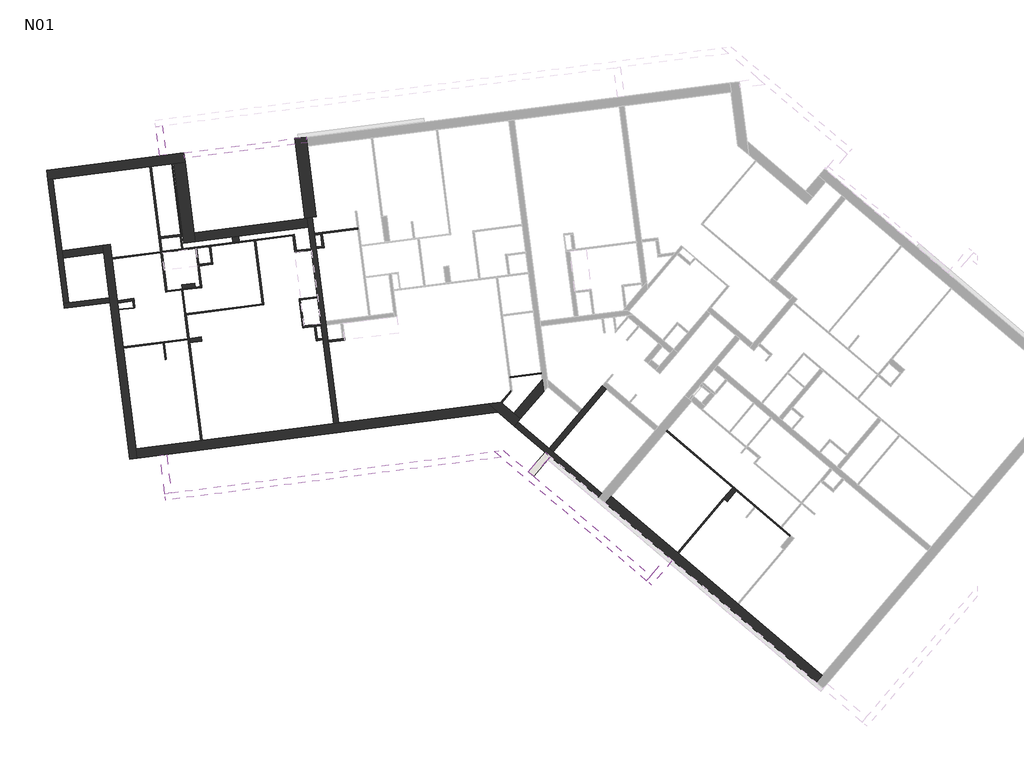
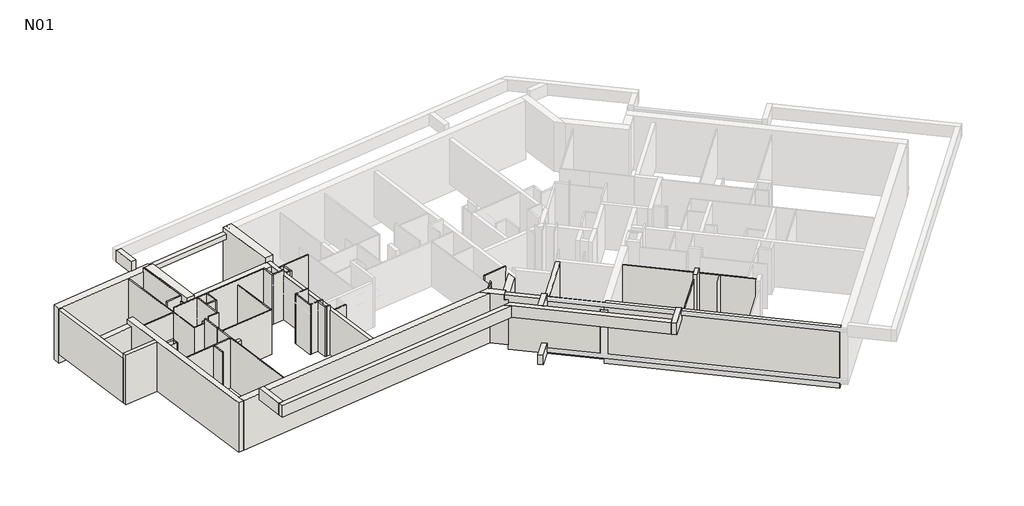
# One storey, part 1 of 3: 64 walls.
"""IFC4 building model written with IfcOpenShell, lengths in millimetres."""

from ifc_helpers import new_model, si_unit, frame, origin, place, context, project, spatial, polyline, outline, extrude, faceted_brep, element, save

model = new_model("IFC4")

# Units and contexts
model_context = context("Model", 3, world=origin())
ifc_project = project(units=[si_unit("LENGTHUNIT", "METRE", prefix="MILLI")], contexts=[model_context])

# Site, building, storey
site = spatial("IfcSite", under=ifc_project)
building = spatial("IfcBuilding", under=site)
storey = spatial("IfcBuildingStorey", under=building, Name="N01", Elevation=3070.0)

# Walls
placement = place(None, origin())
element("IfcWall", 1, at=placement, inside=storey, context=model_context, shape_type="Brep", body=[
    faceted_brep([(5758.2370181, 14194.8714572, 3070.0), (-70.9867131, 13449.8467438, 3070.0), (-269.3729541, 13424.4912832, 3070.0), (-7972.5911161, 12439.9540329, 3070.0), (-7972.5911161, 12439.9540329, 5840.0), (5758.2370181, 14194.8714572, 5840.0), (-7925.683514, 12072.939487, 3070.0), (6140.2224716, 13870.6827304, 3070.0), (6140.2224716, 13870.6827304, 5840.0), (-7925.683514, 12072.939487, 5840.0)], [[[0, 1, 2, 3, 4, 5]], [[6, 7, 8, 9]], [[3, 2, 1, 0, 7, 6]], [[5, 4, 9, 8]], [[0, 5, 8, 7]], [[4, 3, 6, 9]]]),
])
element("IfcWall", 2, at=placement, inside=storey, context=model_context, shape_type="Brep", body=[
    faceted_brep([(-6506.6373667, 23575.6553863, 2800.0), (-6108.054073, 20457.0592479, 2800.0), (-6108.054073, 20457.0592479, 5840.0), (-6506.6373667, 23575.6553863, 5840.0), (-6060.2683244, 23632.7051725, 2800.0), (-6060.2683244, 23632.7051725, 5620.0), (-6060.2683244, 23632.7051725, 5840.0), (-5661.6850307, 20514.1090341, 5840.0), (-5661.6850307, 20514.1090341, 5570.0), (-5661.6850307, 20514.1090341, 2800.0), (-5708.5926327, 20881.12358, 2800.0)], [[[0, 1, 2, 3]], [[4, 5, 6, 7, 8, 9, 10]], [[1, 0, 4, 10, 9]], [[3, 2, 7, 6]], [[0, 3, 6, 5, 4]], [[2, 1, 9, 8, 7]]]),
])
element("IfcWall", 3, at=placement, inside=storey, context=model_context, shape_type="Brep", body=[
    faceted_brep([(10215.1181588, 14897.9983639, 3070.0), (9438.6340179, 13983.0817672, 3070.0), (9309.2199944, 13830.5956677, 3070.0), (8144.4937831, 12458.2207726, 3070.0), (8144.4937831, 12458.2207726, 5570.0), (10215.1181588, 14897.9983639, 5570.0), (10367.6042582, 14768.5843405, 3070.0), (10367.6042582, 14768.5843405, 5570.0), (8296.9798826, 12328.8067492, 5570.0), (8296.9798826, 12328.8067492, 3070.0)], [[[0, 1, 2, 3, 4, 5]], [[6, 7, 8, 9]], [[3, 2, 1, 0, 6, 9]], [[5, 4, 8, 7]], [[0, 5, 7, 6]], [[3, 9, 8, 4]]]),
])
element("IfcWall", 4, at=placement, inside=storey, context=model_context, shape_type="Brep", body=[
    faceted_brep([(7021.6826483, 13607.8829857, 3070.0), (7925.3724793, 14672.6836444, 3070.0), (7925.3724793, 14672.6836444, 5570.0), (7021.6826483, 13607.8829857, 5570.0), (6754.8319743, 13834.3575268, 3070.0), (6754.8319743, 13834.3575268, 5570.0), (7865.2890942, 15142.7881766, 5570.0), (7865.2890942, 15142.7881766, 3070.0), (6888.2573113, 13721.1202563, 5570.0)], [[[0, 1, 2, 3]], [[4, 5, 6, 7]], [[1, 0, 4, 7]], [[3, 2, 6, 5, 8]], [[2, 1, 7, 6]], [[0, 3, 8, 5, 4]]]),
])
element("IfcWall", 5, at=placement, inside=storey, context=model_context, shape_type="Brep", body=[
    faceted_brep([(10336.4814628, 10597.8941851, 2800.0), (6924.6221307, 13493.5184111, 2800.0), (6924.6221307, 13493.5184111, 5570.0), (6791.1967937, 13606.7556817, 5570.0), (6791.1967937, 13606.7556817, 5840.0), (10336.4814628, 10597.8941851, 5840.0), (10336.4814628, 10597.8941851, 5570.0), (10203.0561258, 10711.1314557, 5570.0), (10203.0561258, 10711.1314557, 3070.0), (10336.4814628, 10597.8941851, 3070.0), (10194.126037, 10430.1594757, 2800.0), (10194.126037, 10430.1594757, 3070.0), (10060.7007, 10543.3967463, 3070.0), (10060.7007, 10543.3967463, 5570.0), (10194.126037, 10430.1594757, 5570.0), (10194.126037, 10430.1594757, 5840.0), (6648.8413679, 13439.0209723, 5840.0), (6648.8413679, 13439.0209723, 5570.0), (6782.2667049, 13325.7837017, 5570.0), (6782.2667049, 13325.7837017, 3070.0), (6782.2667049, 13325.7837017, 2800.0)], [[[0, 1, 2, 3, 4, 5, 6, 7, 8, 9]], [[10, 11, 12, 13, 14, 15, 16, 17, 18, 19, 20]], [[1, 0, 10, 20]], [[5, 4, 16, 15]], [[4, 3, 17, 16]], [[17, 3, 2, 18]], [[2, 1, 20, 19, 18]], [[0, 9, 11, 10]], [[8, 12, 11, 9]], [[6, 5, 15, 14]], [[6, 14, 13, 7]], [[8, 7, 13, 12]]]),
])
element("IfcWall", 6, at=placement, inside=storey, context=model_context, shape_type="Brep", body=[
    faceted_brep([(7021.6826483, 13607.8829857, 3070.0), (6754.8319743, 13834.3575268, 3070.0), (6293.3261913, 14226.0346728, 3070.0), (6255.2046664, 14258.3881787, 3070.0), (6255.2046664, 14258.3881787, 5840.0), (6293.3261913, 14226.0346728, 5840.0), (6888.2573113, 13721.1202563, 5840.0), (6888.2573113, 13721.1202563, 5570.0), (7021.6826483, 13607.8829857, 5570.0), (6782.2667049, 13325.7837017, 3070.0), (6782.2667049, 13325.7837017, 5570.0), (6648.8413679, 13439.0209723, 5570.0), (6648.8413679, 13439.0209723, 5840.0), (6140.2224716, 13870.6827304, 5840.0), (5758.2370181, 14194.8714572, 5840.0), (5758.2370181, 14194.8714572, 3070.0), (6140.2224716, 13870.6827304, 3070.0), (6791.1967937, 13606.7556817, 5840.0), (6791.1967937, 13606.7556817, 5570.0), (6924.6221307, 13493.5184111, 5570.0)], [[[0, 1, 2, 3, 4, 5, 6, 7, 8]], [[9, 10, 11, 12, 13, 14, 15, 16]], [[3, 2, 1, 0, 9, 16, 15]], [[6, 5, 4, 14, 13, 12, 17]], [[7, 6, 17, 12, 11, 18]], [[0, 8, 19, 10, 9]], [[4, 3, 15, 14]], [[7, 18, 11, 10, 19, 8]]]),
])
element("IfcWall", 7, at=placement, inside=storey, context=model_context, shape_type="Brep", body=[
    faceted_brep([(-11422.5288425, 22947.3623567, 3070.0), (-10805.1233781, 18116.6573882, 3070.0), (-10805.1233781, 18116.6573882, 5570.0), (-11422.5288425, 22947.3623567, 5570.0), (-11224.1426015, 22972.7178173, 3070.0), (-11224.1426015, 22972.7178173, 5570.0), (-10866.6306077, 20175.4718191, 5570.0), (-10829.8651899, 19887.8117696, 5570.0), (-10606.7371371, 18142.0128488, 5570.0), (-10606.7371371, 18142.0128488, 3070.0), (-10829.8651899, 19887.8117696, 3070.0), (-10866.6306077, 20175.4718191, 3070.0)], [[[0, 1, 2, 3]], [[4, 5, 6, 7, 8, 9, 10, 11]], [[1, 0, 4, 11, 10, 9]], [[3, 2, 8, 7, 6, 5]], [[2, 1, 9, 8]], [[0, 3, 5, 4]]]),
])
element("IfcWall", 8, at=placement, inside=storey, context=model_context, shape_type="Brep", body=[
    faceted_brep([(-9279.5406797, 20378.3155035, 3070.0), (-9242.7752619, 20090.655454, 3070.0), (-9019.647209, 18344.8565332, 3070.0), (-8994.2917485, 18146.4702922, 3070.0), (-8213.3435635, 12036.1740692, 3070.0), (-8213.3435635, 12036.1740692, 5840.0), (-8260.2511655, 12403.1886151, 5840.0), (-8994.2917485, 18146.4702922, 5840.0), (-9019.647209, 18344.8565332, 5840.0), (-9279.5406797, 20378.3155035, 5840.0), (-9279.5406797, 20378.3155035, 5570.0), (-8991.8806302, 20415.0809213, 3070.0), (-8991.8806302, 20415.0809213, 5840.0), (-7972.5911161, 12439.9540329, 5840.0), (-7925.683514, 12072.939487, 5840.0), (-7925.683514, 12072.939487, 3070.0), (-7972.5911161, 12439.9540329, 3070.0)], [[[0, 1, 2, 3, 4, 5, 6, 7, 8, 9, 10]], [[11, 12, 13, 14, 15, 16]], [[4, 3, 2, 1, 0, 11, 16, 15]], [[9, 8, 7, 6, 5, 14, 13, 12]], [[0, 10, 9, 12, 11]], [[5, 4, 15, 14]]]),
])
element("IfcWall", 9, at=placement, inside=storey, context=model_context, shape_type="SweptSolid", body=[
    extrude(outline(polyline([(-9242.7752619, 20090.655454), (-10829.8651899, 19887.8117696), (-10866.6306077, 20175.4718191), (-9279.5406797, 20378.3155035), (-9242.7752619, 20090.655454)])), frame((0.0, 0.0, 3070.0), z_axis=(0.0, 0.0, 1.0), x_axis=(1.0, 0.0, 0.0)), (0.0, 0.0, 1.0), 2500.0),
])
element("IfcWall", 10, at=placement, inside=storey, context=model_context, shape_type="Brep", body=[
    faceted_brep([(-10779.7679175, 17918.2711472, 3070.0), (-8994.2917485, 18146.4702922, 3070.0), (-8994.2917485, 18146.4702922, 5840.0), (-10779.7679175, 17918.2711472, 5840.0), (-10805.1233781, 18116.6573882, 3070.0), (-10805.1233781, 18116.6573882, 5570.0), (-10805.1233781, 18116.6573882, 5840.0), (-9019.647209, 18344.8565332, 5840.0), (-9019.647209, 18344.8565332, 3070.0), (-10606.7371371, 18142.0128488, 3070.0)], [[[0, 1, 2, 3]], [[4, 5, 6, 7, 8, 9]], [[1, 0, 4, 9, 8]], [[3, 2, 7, 6]], [[0, 3, 6, 5, 4]], [[2, 1, 8, 7]]]),
])
element("IfcWall", 11, at=placement, inside=storey, context=model_context, shape_type="Brep", body=[
    faceted_brep([(5996.4358323, 12340.1039215, 5510.0), (-6597.3795676, 10730.5064617, 5510.0), (-6855.2816809, 10697.544363, 5510.0), (-6855.2816809, 10697.544363, 6150.0), (-6597.3795676, 10730.5064617, 6150.0), (5996.4358323, 12340.1039215, 6150.0), (6264.8580429, 12112.2956269, 5510.0), (6264.8580429, 12112.2956269, 6150.0), (-6822.3195822, 10439.6422497, 6150.0), (-6822.3195822, 10439.6422497, 5510.0)], [[[0, 1, 2, 3, 4, 5]], [[6, 7, 8, 9]], [[2, 1, 0, 6, 9]], [[5, 4, 3, 8, 7]], [[3, 2, 9, 8]], [[0, 5, 7, 6]]]),
])
element("IfcWall", 12, at=placement, inside=storey, context=model_context, shape_type="SweptSolid", body=[
    extrude(outline(polyline([(-6787.5455217, 12218.4032693), (-6597.3795676, 10730.5064617), (-6855.2816809, 10697.544363), (-7045.447635, 12185.4411706), (-6787.5455217, 12218.4032693)])), frame((0.0, 0.0, 5510.0), z_axis=(0.0, 0.0, 1.0), x_axis=(1.0, 0.0, 0.0)), (0.0, 0.0, 1.0), 640.0),
])
element("IfcWall", 13, at=placement, inside=storey, context=model_context, shape_type="Brep", body=[
    faceted_brep([(-11422.5288425, 22947.3623567, 2580.0), (-6060.2683244, 23632.7051725, 2580.0), (-6060.2683244, 23632.7051725, 2800.0), (-6060.2683244, 23632.7051725, 5620.0), (-11422.5288425, 22947.3623567, 5620.0), (-11422.5288425, 22947.3623567, 5570.0), (-11422.5288425, 22947.3623567, 3070.0), (-11469.4364445, 23314.3769026, 2580.0), (-11469.4364445, 23314.3769026, 5620.0), (-6107.1759264, 23999.7197184, 5620.0), (-6107.1759264, 23999.7197184, 5570.0), (-6107.1759264, 23999.7197184, 5270.0), (-6107.1759264, 23999.7197184, 2580.0)], [[[0, 1, 2, 3, 4, 5, 6]], [[7, 8, 9, 10, 11, 12]], [[1, 0, 7, 12]], [[4, 3, 9, 8]], [[0, 6, 5, 4, 8, 7]], [[1, 12, 11, 10, 9, 3, 2]]]),
])
element("IfcWall", 14, at=placement, inside=storey, context=model_context, shape_type="Brep", body=[
    faceted_brep([(18798.7778311, 3612.7340644, 2580.0), (10433.5419804, 10712.2587597, 2580.0), (10433.5419804, 10712.2587597, 3070.0), (10566.9673175, 10599.0214892, 3070.0), (10566.9673175, 10599.0214892, 5570.0), (10433.5419804, 10712.2587597, 5570.0), (10433.5419804, 10712.2587597, 5840.0), (10566.9673175, 10599.0214892, 5840.0), (18798.7778311, 3612.7340644, 5840.0), (10194.126037, 10430.1594757, 2580.0), (18559.3618877, 3330.6347804, 2580.0), (18559.3618877, 3330.6347804, 2800.0), (18559.3618877, 3330.6347804, 5840.0), (10327.551374, 10316.9222052, 5840.0), (10194.126037, 10430.1594757, 5840.0), (10194.126037, 10430.1594757, 5570.0), (10327.551374, 10316.9222052, 5570.0), (10327.551374, 10316.9222052, 3070.0), (10194.126037, 10430.1594757, 3070.0), (10194.126037, 10430.1594757, 2800.0), (10336.4814628, 10597.8941851, 5840.0), (10336.4814628, 10597.8941851, 3070.0), (10336.4814628, 10597.8941851, 5570.0)], [[[0, 1, 2, 3, 4, 5, 6, 7, 8]], [[9, 10, 11, 12, 13, 14, 15, 16, 17, 18, 19]], [[1, 0, 10, 9]], [[8, 7, 6, 20, 14, 13, 12]], [[1, 9, 19, 18, 21, 2]], [[3, 2, 21, 18, 17]], [[14, 20, 6, 5, 22, 15]], [[15, 22, 5, 4, 16]], [[4, 3, 17, 16]], [[10, 0, 8, 12, 11]]]),
])
element("IfcWall", 15, at=placement, inside=storey, context=model_context, shape_type="SweptSolid", body=[
    extrude(outline(polyline([(-7059.4298832, 23878.0135078), (-7203.9560084, 25008.8150815), (-6946.0538951, 25041.7771802), (-6801.5277699, 23910.9756065), (-7059.4298832, 23878.0135078)])), frame((0.0, 0.0, 5510.0), z_axis=(0.0, 0.0, 1.0), x_axis=(1.0, 0.0, 0.0)), (0.0, 0.0, 1.0), 640.0),
])
element("IfcWall", 16, at=placement, inside=storey, context=model_context, shape_type="Brep", body=[
    faceted_brep([(-6079.2849198, 23781.4948533, 5270.0), (-1764.3841779, 24332.9761203, 5270.0), (-1318.0151357, 24390.0259065, 5270.0), (-1318.0151357, 24390.0259065, 5570.0), (-1764.3841779, 24332.9761203, 5570.0), (-6079.2849198, 23781.4948533, 5570.0), (-6107.1759264, 23999.7197184, 5270.0), (-6107.1759264, 23999.7197184, 5570.0), (-1792.2751846, 24551.2009854, 5570.0), (-1345.9061423, 24608.2507716, 5570.0), (-1345.9061423, 24608.2507716, 5270.0), (-1792.2751846, 24551.2009854, 5270.0)], [[[0, 1, 2, 3, 4, 5]], [[6, 7, 8, 9, 10, 11]], [[2, 1, 0, 6, 11, 10]], [[5, 4, 3, 9, 8, 7]], [[0, 5, 7, 6]], [[3, 2, 10, 9]]]),
])
element("IfcWall", 17, at=placement, inside=storey, context=model_context, shape_type="Brep", body=[
    faceted_brep([(-70.9867131, 13449.8467438, 3070.0), (-473.9945737, 16603.0615871, 3070.0), (-482.8689849, 16672.4967715, 3070.0), (-557.6675935, 17257.7361824, 3070.0), (-577.951962, 17416.4451752, 3070.0), (-940.7002122, 20254.6607005, 3070.0), (-949.5746234, 20324.0958849, 3070.0), (-1007.8709805, 20780.2183489, 3070.0), (-1016.7453916, 20849.6535333, 3070.0), (-1096.1125293, 21470.6380378, 3070.0), (-1096.1125293, 21470.6380378, 5570.0), (-1016.7453916, 20849.6535333, 5570.0), (-1007.8709805, 20780.2183489, 5570.0), (-949.5746234, 20324.0958849, 5570.0), (-940.7002122, 20254.6607005, 5570.0), (-577.951962, 17416.4451752, 5570.0), (-557.6675935, 17257.7361824, 5570.0), (-482.8689849, 16672.4967715, 5570.0), (-473.9945737, 16603.0615871, 5570.0), (-70.9867131, 13449.8467438, 5570.0), (-269.3729541, 13424.4912832, 3070.0), (-269.3729541, 13424.4912832, 5570.0), (-1247.5911683, 21078.2680314, 5570.0), (-1294.4987703, 21445.2825772, 5570.0), (-1294.4987703, 21445.2825772, 3070.0), (-1291.9632243, 21425.4439531, 3070.0), (-1247.5911683, 21078.2680314, 3070.0), (-1142.366007, 20254.9651312, 3070.0), (-1133.4915958, 20185.5299468, 3070.0), (-902.7569048, 18380.2151537, 3070.0), (-896.4180397, 18330.6185934, 3070.0), (-767.4637918, 17321.6545303, 3070.0), (-758.5893806, 17252.219346, 3070.0), (-695.9892287, 16762.4231222, 3070.0), (-687.1148175, 16692.9879378, 3070.0)], [[[0, 1, 2, 3, 4, 5, 6, 7, 8, 9, 10, 11, 12, 13, 14, 15, 16, 17, 18, 19]], [[20, 21, 22, 23, 24, 25, 26, 27, 28, 29, 30, 31, 32, 33, 34]], [[9, 8, 7, 6, 5, 4, 3, 2, 1, 0, 20, 34, 33, 32, 31, 30, 29, 28, 27, 26, 25, 24]], [[19, 18, 17, 16, 15, 14, 13, 12, 11, 10, 23, 22, 21]], [[0, 19, 21, 20]], [[10, 9, 24, 23]]]),
])
element("IfcWall", 18, at=placement, inside=storey, context=model_context, shape_type="SweptSolid", body=[
    extrude(outline(polyline([(7332.195325, 11547.4676695), (7979.2654424, 12309.8981668), (8177.4973717, 12141.6599362), (7530.4272543, 11379.229439), (7332.195325, 11547.4676695)])), frame((0.0, 0.0, 2850.0), z_axis=(0.0, 0.0, 1.0), x_axis=(1.0, 0.0, 0.0)), (0.0, 0.0, 1.0), 530.0),
])
element("IfcWall", 19, at=placement, inside=storey, context=model_context, shape_type="Brep", body=[
    faceted_brep([(5996.4358323, 12340.1039215, 5510.0), (6264.8580429, 12112.2956269, 5510.0), (11938.856953, 7296.8073248, 5510.0), (11938.856953, 7296.8073248, 6150.0), (6264.8580429, 12112.2956269, 6150.0), (5996.4358323, 12340.1039215, 6150.0), (6345.6563419, 12384.7372933, 5510.0), (6345.6563419, 12384.7372933, 6150.0), (7332.195325, 11547.4676695, 6150.0), (7530.4272543, 11379.229439, 6150.0), (12107.0951835, 7495.039254, 6150.0), (12107.0951835, 7495.039254, 5510.0), (7530.4272543, 11379.229439, 5510.0), (7332.195325, 11547.4676695, 5510.0)], [[[0, 1, 2, 3, 4, 5]], [[6, 7, 8, 9, 10, 11, 12, 13]], [[2, 1, 0, 6, 13, 12, 11]], [[5, 4, 3, 10, 9, 8, 7]], [[3, 2, 11, 10]], [[0, 5, 7, 6]]]),
])
element("IfcWall", 20, at=placement, inside=storey, context=model_context, shape_type="Brep", body=[
    faceted_brep([(12754.1653009, 8257.4697513, 6150.0), (12754.1653009, 8257.4697513, 5510.0), (12107.0951835, 7495.039254, 5510.0), (11938.856953, 7296.8073248, 5510.0), (11938.856953, 7296.8073248, 6150.0), (12107.0951835, 7495.039254, 6150.0), (12952.3972302, 8089.2315208, 5510.0), (12952.3972302, 8089.2315208, 6150.0), (12137.0888823, 7128.5690942, 6150.0), (12137.0888823, 7128.5690942, 5510.0)], [[[0, 1, 2, 3, 4, 5]], [[6, 7, 8, 9]], [[3, 2, 1, 6, 9]], [[0, 5, 4, 8, 7]], [[4, 3, 9, 8]], [[0, 7, 6, 1]]]),
])
element("IfcWall", 21, at=placement, inside=storey, context=model_context, shape_type="SweptSolid", body=[
    extrude(outline(polyline([(7332.195325, 11547.4676695), (7979.2654424, 12309.8981668), (8177.4973717, 12141.6599362), (7530.4272543, 11379.229439), (7332.195325, 11547.4676695)])), frame((0.0, 0.0, 5510.0), z_axis=(0.0, 0.0, 1.0), x_axis=(1.0, 0.0, 0.0)), (0.0, 0.0, 1.0), 640.0),
])
element("IfcWall", 22, at=placement, inside=storey, context=model_context, shape_type="Brep", body=[
    faceted_brep([(-947.3228486, 21489.6546332, 2580.0), (-1298.9985403, 24241.2362258, 2580.0), (-1345.9061423, 24608.2507716, 2580.0), (-1345.9061423, 24608.2507716, 5270.0), (-1318.0151357, 24390.0259065, 5270.0), (-1318.0151357, 24390.0259065, 5570.0), (-1345.9061423, 24608.2507716, 5570.0), (-1345.9061423, 24608.2507716, 5840.0), (-1298.9985403, 24241.2362258, 5840.0), (-947.3228486, 21489.6546332, 5840.0), (-1393.6918909, 21432.6048469, 2580.0), (-1393.6918909, 21432.6048469, 5840.0), (-1792.2751846, 24551.2009854, 5840.0), (-1792.2751846, 24551.2009854, 5570.0), (-1764.3841779, 24332.9761203, 5570.0), (-1764.3841779, 24332.9761203, 5270.0), (-1792.2751846, 24551.2009854, 5270.0), (-1792.2751846, 24551.2009854, 2580.0)], [[[0, 1, 2, 3, 4, 5, 6, 7, 8, 9]], [[10, 11, 12, 13, 14, 15, 16, 17]], [[2, 1, 0, 10, 17]], [[9, 8, 7, 12, 11]], [[15, 4, 3, 16]], [[13, 6, 5, 14]], [[3, 2, 17, 16]], [[5, 4, 15, 14]], [[7, 6, 13, 12]], [[0, 9, 11, 10]]]),
])
element("IfcWall", 23, at=placement, inside=storey, context=model_context, shape_type="Brep", body=[
    faceted_brep([(-5661.6850307, 20514.1090341, 2800.0), (-1247.5911683, 21078.2680314, 2800.0), (-1247.5911683, 21078.2680314, 5570.0), (-3975.4019822, 20729.6304488, 5570.0), (-4223.3847834, 20697.9361231, 5570.0), (-5661.6850307, 20514.1090341, 5570.0), (-5661.6850307, 20514.1090341, 3070.0), (-5708.5926327, 20881.12358, 2800.0), (-5708.5926327, 20881.12358, 5570.0), (-1294.4987703, 21445.2825772, 5570.0), (-1294.4987703, 21445.2825772, 3070.0), (-1294.4987703, 21445.2825772, 2800.0), (-5706.0570867, 20861.2849559, 2800.0)], [[[0, 1, 2, 3, 4, 5, 6]], [[7, 8, 9, 10, 11]], [[1, 0, 12, 7, 11]], [[5, 4, 3, 2, 9, 8]], [[2, 1, 11, 10, 9]], [[0, 6, 5, 8, 7, 12]]]),
])
element("IfcWall", 24, ObjectType="CLO 10", at=placement, inside=storey, context=model_context, shape_type="Brep", body=[
    faceted_brep([(-8699.616304, 18128.3458433, 3070.0), (-8104.457581, 18204.4122249, 3070.0), (-8054.8610207, 18210.7510901, 3070.0), (-8054.8610207, 18210.7510901, 5570.0), (-8104.457581, 18204.4122249, 5570.0), (-8699.616304, 18128.3458433, 5570.0), (-8712.2940343, 18227.5389638, 3070.0), (-8712.2940343, 18227.5389638, 5570.0), (-8067.538751, 18309.9442106, 5570.0), (-8067.538751, 18309.9442106, 3070.0)], [[[0, 1, 2, 3, 4, 5]], [[6, 7, 8, 9]], [[2, 1, 0, 6, 9]], [[5, 4, 3, 8, 7]], [[0, 5, 7, 6]], [[3, 2, 9, 8]]]),
])
element("IfcWall", 25, ObjectType="CLO 2", at=placement, inside=storey, context=model_context, shape_type="SweptSolid", body=[
    extrude(outline(polyline([(-6240.1481823, 20813.1862285), (-6591.823874, 23564.7678211), (-6571.9852499, 23567.3033672), (-6220.3095582, 20815.7217746), (-6240.1481823, 20813.1862285)])), frame((0.0, 0.0, 3070.0), z_axis=(0.0, 0.0, 1.0), x_axis=(1.0, 0.0, 0.0)), (0.0, 0.0, 1.0), 2770.0),
])
element("IfcWall", 26, ObjectType="CLO 2", at=placement, inside=storey, context=model_context, shape_type="SweptSolid", body=[
    extrude(outline(polyline([(-8070.2277092, 17936.5907996), (-8665.3864322, 17860.5244179), (-8667.9219783, 17880.363042), (-8072.7632553, 17956.4294237), (-8070.2277092, 17936.5907996)])), frame((0.0, 0.0, 3070.0), z_axis=(0.0, 0.0, 1.0), x_axis=(1.0, 0.0, 0.0)), (0.0, 0.0, 1.0), 2500.0),
])
element("IfcWall", 27, ObjectType="CLO 5", at=placement, inside=storey, context=model_context, shape_type="Brep", body=[
    faceted_brep([(-7434.9653983, 23457.0071138, 3070.0), (-7004.6877789, 20090.4281741, 3070.0), (-7004.6877789, 20090.4281741, 5570.0), (-7434.9653983, 23457.0071138, 5570.0), (-7385.368838, 23463.3459789, 3070.0), (-7385.368838, 23463.3459789, 5570.0), (-6955.0912187, 20096.7670392, 5570.0), (-6955.0912187, 20096.7670392, 3070.0), (-6961.4300838, 20146.3635995, 3070.0), (-7024.8187352, 20642.329202, 3070.0), (-7033.6931464, 20711.7643863, 3070.0)], [[[0, 1, 2, 3]], [[4, 5, 6, 7, 8, 9, 10]], [[1, 0, 4, 10, 9, 8, 7]], [[3, 2, 6, 5]], [[0, 3, 5, 4]], [[2, 1, 7, 6]]]),
])
element("IfcWall", 28, ObjectType="CLO 5", at=placement, inside=storey, context=model_context, shape_type="SweptSolid", body=[
    extrude(outline(polyline([(-7004.6877789, 20090.4281741), (-8919.1150046, 19845.7479798), (-8925.4538698, 19895.34454), (-7011.026644, 20140.0247343), (-7004.6877789, 20090.4281741)])), frame((0.0, 0.0, 3070.0), z_axis=(0.0, 0.0, 1.0), x_axis=(1.0, 0.0, 0.0)), (0.0, 0.0, 1.0), 2500.0),
])
element("IfcWall", 29, ObjectType="CLO 5", at=placement, inside=storey, context=model_context, shape_type="Brep", body=[
    faceted_brep([(-8104.457581, 18204.4122249, 3070.0), (-8072.7632553, 17956.4294237, 3070.0), (-8070.2277092, 17936.5907996, 3070.0), (-8070.2277092, 17936.5907996, 5570.0), (-8072.7632553, 17956.4294237, 5570.0), (-8104.457581, 18204.4122249, 5570.0), (-8054.8610207, 18210.7510901, 3070.0), (-8054.8610207, 18210.7510901, 5570.0), (-8020.631149, 17942.9296647, 5570.0), (-8020.631149, 17942.9296647, 3070.0)], [[[0, 1, 2, 3, 4, 5]], [[6, 7, 8, 9]], [[2, 1, 0, 6, 9]], [[5, 4, 3, 8, 7]], [[0, 5, 7, 6]], [[3, 2, 9, 8]]]),
])
element("IfcWall", 30, ObjectType="CLO 5", at=placement, inside=storey, context=model_context, shape_type="Brep", body=[
    faceted_brep([(-7004.6877789, 20090.4281741, 3070.0), (-6808.7742028, 18557.5608119, 3070.0), (-6808.7742028, 18557.5608119, 5570.0), (-7004.6877789, 20090.4281741, 5570.0), (-6955.0912187, 20096.7670392, 3070.0), (-6955.0912187, 20096.7670392, 5570.0), (-6765.5165077, 18613.4962373, 5570.0), (-6759.1776425, 18563.899677, 5570.0), (-6759.1776425, 18563.899677, 3070.0), (-6765.5165077, 18613.4962373, 3070.0)], [[[0, 1, 2, 3]], [[4, 5, 6, 7, 8, 9]], [[1, 0, 4, 9, 8]], [[3, 2, 7, 6, 5]], [[2, 1, 8, 7]], [[0, 3, 5, 4]]]),
])
element("IfcWall", 31, ObjectType="CLO 5", at=placement, inside=storey, context=model_context, shape_type="SweptSolid", body=[
    extrude(outline(polyline([(-6765.5165077, 18613.4962373), (-5961.1798766, 18716.2973469), (-5954.8410115, 18666.7007867), (-6759.1776425, 18563.899677), (-6765.5165077, 18613.4962373)])), frame((0.0, 0.0, 3070.0), z_axis=(0.0, 0.0, 1.0), x_axis=(1.0, 0.0, 0.0)), (0.0, 0.0, 1.0), 2500.0),
])
element("IfcWall", 32, ObjectType="CLO 5", at=placement, inside=storey, context=model_context, shape_type="Brep", body=[
    faceted_brep([(-5954.8410115, 18666.7007867, 3070.0), (-5410.1513124, 18736.3167949, 3070.0), (-5410.1513124, 18736.3167949, 5840.0), (-5954.8410115, 18666.7007867, 5840.0), (-5954.8410115, 18666.7007867, 5570.0), (-5961.1798766, 18716.2973469, 3070.0), (-5961.1798766, 18716.2973469, 5570.0), (-5961.1798766, 18716.2973469, 5840.0), (-5466.0867378, 18779.57449, 5840.0), (-5416.4901775, 18785.9133551, 5840.0), (-5416.4901775, 18785.9133551, 3070.0), (-5466.0867378, 18779.57449, 3070.0)], [[[0, 1, 2, 3, 4]], [[5, 6, 7, 8, 9, 10, 11]], [[1, 0, 5, 11, 10]], [[3, 2, 9, 8, 7]], [[0, 4, 3, 7, 6, 5]], [[2, 1, 10, 9]]]),
])
element("IfcWall", 33, ObjectType="CLO 5", at=placement, inside=storey, context=model_context, shape_type="Brep", body=[
    faceted_brep([(-5655.6614488, 20262.8452919, 3070.0), (-5466.0867378, 18779.57449, 3070.0), (-5466.0867378, 18779.57449, 5840.0), (-5655.6614488, 20262.8452919, 5840.0), (-5606.0648885, 20269.1841571, 3070.0), (-5606.0648885, 20269.1841571, 5840.0), (-5526.1951878, 19644.2674979, 5840.0), (-5517.3207766, 19574.8323136, 5840.0), (-5416.4901775, 18785.9133551, 5840.0), (-5416.4901775, 18785.9133551, 3070.0), (-5517.3207766, 19574.8323136, 3070.0), (-5526.1951878, 19644.2674979, 3070.0)], [[[0, 1, 2, 3]], [[4, 5, 6, 7, 8, 9, 10, 11]], [[1, 0, 4, 11, 10, 9]], [[3, 2, 8, 7, 6, 5]], [[0, 3, 5, 4]], [[2, 1, 9, 8]]]),
])
element("IfcWall", 34, ObjectType="CLO 5", at=placement, inside=storey, context=model_context, shape_type="Brep", body=[
    faceted_brep([(-2995.9276812, 18107.3102301, 3070.0), (-3045.5242415, 18100.971365, 3070.0), (-6079.9612652, 17713.1443268, 3070.0), (-6079.9612652, 17713.1443268, 5170.0), (-6079.9612652, 17713.1443268, 5570.0), (-6030.3647049, 17719.483192, 5570.0), (-3045.5242415, 18100.971365, 5570.0), (-2995.9276812, 18107.3102301, 5570.0), (-2989.5888161, 18057.7136698, 3070.0), (-2989.5888161, 18057.7136698, 5570.0), (-6024.0258398, 17669.8866317, 5570.0), (-6073.6224, 17663.5477666, 5570.0), (-6073.6224, 17663.5477666, 3070.0), (-6024.0258398, 17669.8866317, 3070.0), (-6076.7918326, 17688.3460467, 5570.0)], [[[0, 1, 2, 3, 4, 5, 6, 7]], [[8, 9, 10, 11, 12, 13]], [[2, 1, 0, 8, 13, 12]], [[7, 6, 5, 4, 14, 11, 10, 9]], [[0, 7, 9, 8]], [[4, 3, 2, 12, 11, 14]]]),
])
element("IfcWall", 35, ObjectType="CLO 5", at=placement, inside=storey, context=model_context, shape_type="Brep", body=[
    faceted_brep([(-8474.7179151, 16368.6954557, 3070.0), (-6921.4732243, 16567.213429, 3070.0), (-6871.876664, 16573.5522941, 3070.0), (-5949.3806433, 16691.4551857, 3070.0), (-5949.3806433, 16691.4551857, 5840.0), (-6871.876664, 16573.5522941, 5840.0), (-6921.4732243, 16567.213429, 5840.0), (-8474.7179151, 16368.6954557, 5840.0), (-8481.0567802, 16418.292016, 3070.0), (-8481.0567802, 16418.292016, 5840.0), (-5955.7195085, 16741.0517459, 5840.0), (-5955.7195085, 16741.0517459, 3070.0)], [[[0, 1, 2, 3, 4, 5, 6, 7]], [[8, 9, 10, 11]], [[3, 2, 1, 0, 8, 11]], [[7, 6, 5, 4, 10, 9]], [[0, 7, 9, 8]], [[4, 3, 11, 10]]]),
])
element("IfcWall", 36, ObjectType="CLO 5", at=placement, inside=storey, context=model_context, shape_type="Brep", body=[
    faceted_brep([(-6073.6224, 17663.5477666, 3070.0), (-5447.2538443, 12762.7137628, 3070.0), (-5447.2538443, 12762.7137628, 5840.0), (-5949.3806433, 16691.4551857, 5840.0), (-5955.7195085, 16741.0517459, 5840.0), (-6076.7918326, 17688.3460467, 5840.0), (-6076.7918326, 17688.3460467, 5570.0), (-6073.6224, 17663.5477666, 5570.0), (-6024.0258398, 17669.8866317, 3070.0), (-6024.0258398, 17669.8866317, 5570.0), (-6027.1952724, 17694.6849119, 5570.0), (-6027.1952724, 17694.6849119, 5840.0), (-5397.6572841, 12769.052628, 5840.0), (-5397.6572841, 12769.052628, 3070.0)], [[[0, 1, 2, 3, 4, 5, 6, 7]], [[8, 9, 10, 11, 12, 13]], [[1, 0, 8, 13]], [[2, 1, 13, 12]], [[5, 4, 3, 2, 12, 11]], [[6, 5, 11, 10]], [[6, 10, 9, 7]], [[0, 7, 9, 8]]]),
])
element("IfcWall", 37, ObjectType="CLO 5", at=placement, inside=storey, context=model_context, shape_type="Brep", body=[
    faceted_brep([(-6921.4732243, 16567.213429, 3070.0), (-6839.0679775, 15922.4581457, 3070.0), (-6839.0679775, 15922.4581457, 5840.0), (-6921.4732243, 16567.213429, 5840.0), (-6871.876664, 16573.5522941, 3070.0), (-6871.876664, 16573.5522941, 5170.0), (-6871.876664, 16573.5522941, 5840.0), (-6789.4714172, 15928.7970108, 5840.0), (-6789.4714172, 15928.7970108, 3070.0)], [[[0, 1, 2, 3]], [[4, 5, 6, 7, 8]], [[1, 0, 4, 8]], [[2, 1, 8, 7]], [[3, 2, 7, 6]], [[0, 3, 6, 5, 4]]]),
])
element("IfcWall", 38, ObjectType="CLO 5", at=placement, inside=storey, context=model_context, shape_type="SweptSolid", body=[
    extrude(outline(polyline([(135.0, 0.0), (1065.0, 0.0), (1065.0, -2500.0), (1090.0, -2500.0), (1090.0, -2770.0), (135.0, -2770.0), (135.0, 0.0)])), frame((-6214.9790926, 18769.5510602, 3070.0), z_axis=(0.9919312050265877, 0.12677730275763713, 0.0), x_axis=(0.12677730275763713, -0.9919312050265877, 0.0)), (0.0, 0.0, 1.0), 50.0),
])
element("IfcWall", 39, ObjectType="CLO 5", at=placement, inside=storey, context=model_context, shape_type="SweptSolid", body=[
    extrude(outline(polyline([(-3045.5242415, 18100.971365), (-3359.3407092, 20556.3347478), (-3309.7441489, 20562.673613), (-2995.9276812, 18107.3102301), (-3045.5242415, 18100.971365)])), frame((0.0, 0.0, 3070.0), z_axis=(0.0, 0.0, 1.0), x_axis=(1.0, 0.0, 0.0)), (0.0, 0.0, 1.0), 2500.0),
])
element("IfcWall", 40, ObjectType="CLO 5", at=placement, inside=storey, context=model_context, shape_type="Brep", body=[
    faceted_brep([(12710.0141102, 13124.1330466, 3070.0), (15296.7384415, 10928.7958681, 3070.0), (15449.224541, 10799.3818446, 3070.0), (16158.2849035, 10197.6066355, 3070.0), (16196.4064283, 10165.2531296, 3070.0), (17522.3849124, 9039.9032696, 3070.0), (17522.3849124, 9039.9032696, 5570.0), (16196.4064283, 10165.2531296, 5570.0), (16158.2849035, 10197.6066355, 5570.0), (12710.0141102, 13124.1330466, 5570.0), (12742.3676161, 13162.2545715, 3070.0), (12742.3676161, 13162.2545715, 5570.0), (17173.5231696, 9401.5598532, 5570.0), (17211.6446945, 9369.2063473, 5570.0), (17554.7384183, 9078.0247945, 5570.0), (17554.7384183, 9078.0247945, 3070.0), (17211.6446945, 9369.2063473, 3070.0), (17173.5231696, 9401.5598532, 3070.0)], [[[0, 1, 2, 3, 4, 5, 6, 7, 8, 9]], [[10, 11, 12, 13, 14, 15, 16, 17]], [[5, 4, 3, 2, 1, 0, 10, 17, 16, 15]], [[6, 5, 15, 14]], [[9, 8, 7, 6, 14, 13, 12, 11]], [[0, 9, 11, 10]]]),
])
element("IfcWall", 41, ObjectType="CLO 5", at=placement, inside=storey, context=model_context, shape_type="SweptSolid", body=[
    extrude(outline(polyline([(14980.9620482, 10479.4511298), (13191.8131736, 8371.3308048), (13153.6916488, 8403.6843107), (14942.8405234, 10511.8046357), (14980.9620482, 10479.4511298)])), frame((0.0, 0.0, 3070.0), z_axis=(0.0, 0.0, 1.0), x_axis=(1.0, 0.0, 0.0)), (0.0, 0.0, 1.0), 2500.0),
])
element("IfcWall", 42, ObjectType="CLO 5", at=placement, inside=storey, context=model_context, shape_type="Brep", body=[
    faceted_brep([(-6955.0912187, 20096.7670392, 3070.0), (-1860.6521259, 20747.8799833, 3070.0), (-1860.6521259, 20747.8799833, 5840.0), (-6955.0912187, 20096.7670392, 5840.0), (-6955.0912187, 20096.7670392, 5570.0), (-6961.4300838, 20146.3635995, 3070.0), (-6961.4300838, 20146.3635995, 5840.0), (-1866.990991, 20797.4765436, 5840.0), (-1866.990991, 20797.4765436, 3070.0), (-3950.0465216, 20531.2442078, 3070.0), (-4198.0293229, 20499.5498821, 3070.0), (-6148.0464957, 20250.3209877, 3070.0), (-6197.6430559, 20243.9821226, 3070.0)], [[[0, 1, 2, 3, 4]], [[5, 6, 7, 8, 9, 10, 11, 12]], [[1, 0, 5, 12, 11, 10, 9, 8]], [[3, 2, 7, 6]], [[0, 4, 3, 6, 5]], [[2, 1, 8, 7]]]),
])
element("IfcWall", 43, ObjectType="CLO 5", at=placement, inside=storey, context=model_context, shape_type="Brep", body=[
    faceted_brep([(-902.7569048, 18380.2151537, 3070.0), (-1616.9473724, 18288.9354957, 3070.0), (-1616.9473724, 18288.9354957, 5840.0), (-902.7569048, 18380.2151537, 5840.0), (-896.4180397, 18330.6185934, 3070.0), (-896.4180397, 18330.6185934, 5840.0), (-1561.0119471, 18245.6778006, 5840.0), (-1610.6085073, 18239.3389355, 5840.0), (-1610.6085073, 18239.3389355, 3070.0), (-1561.0119471, 18245.6778006, 3070.0)], [[[0, 1, 2, 3]], [[4, 5, 6, 7, 8, 9]], [[1, 0, 4, 9, 8]], [[3, 2, 7, 6, 5]], [[0, 3, 5, 4]], [[2, 1, 8, 7]]]),
])
element("IfcWall", 44, ObjectType="CLO 5", at=placement, inside=storey, context=model_context, shape_type="Brep", body=[
    faceted_brep([(-1610.6085073, 18239.3389355, 3070.0), (-1472.7798482, 17160.939688, 3070.0), (-1472.7798482, 17160.939688, 5840.0), (-1610.6085073, 18239.3389355, 5840.0), (-1561.0119471, 18245.6778006, 3070.0), (-1561.0119471, 18245.6778006, 5840.0), (-1432.0576992, 17236.7137375, 5840.0), (-1423.183288, 17167.2785531, 5840.0), (-1423.183288, 17167.2785531, 3070.0), (-1432.0576992, 17236.7137375, 3070.0)], [[[0, 1, 2, 3]], [[4, 5, 6, 7, 8, 9]], [[1, 0, 4, 9, 8]], [[3, 2, 7, 6, 5]], [[0, 3, 5, 4]], [[2, 1, 8, 7]]]),
])
element("IfcWall", 45, ObjectType="CLO 5", at=placement, inside=storey, context=model_context, shape_type="Brep", body=[
    faceted_brep([(-5115.0589421, 20331.9389219, 3070.0), (-5035.1892413, 19707.0222628, 3070.0), (-5026.3148301, 19637.5870784, 3070.0), (-5026.3148301, 19637.5870784, 5840.0), (-5035.1892413, 19707.0222628, 5840.0), (-5115.0589421, 20331.9389219, 5840.0), (-5065.4623818, 20338.2777871, 3070.0), (-5065.4623818, 20338.2777871, 5840.0), (-4976.7182699, 19643.9259436, 5840.0), (-4976.7182699, 19643.9259436, 3070.0)], [[[0, 1, 2, 3, 4, 5]], [[6, 7, 8, 9]], [[2, 1, 0, 6, 9]], [[5, 4, 3, 8, 7]], [[0, 5, 7, 6]], [[3, 2, 9, 8]]]),
])
element("IfcWall", 46, ObjectType="CLO 5", at=placement, inside=storey, context=model_context, shape_type="SweptSolid", body=[
    extrude(outline(polyline([(-6197.6430559, 20243.9821226), (-6261.0317073, 20739.9477251), (-6211.4351471, 20746.2865902), (-6148.0464957, 20250.3209877), (-6197.6430559, 20243.9821226)])), frame((0.0, 0.0, 3070.0), z_axis=(0.0, 0.0, 1.0), x_axis=(1.0, 0.0, 0.0)), (0.0, 0.0, 1.0), 2500.0),
])
element("IfcWall", 47, ObjectType="CLO 5", at=placement, inside=storey, context=model_context, shape_type="SweptSolid", body=[
    extrude(outline(polyline([(7836.5338475, 15367.7750306), (6626.3777773, 15213.1067212), (6620.0389122, 15262.7032815), (7830.1949823, 15417.3715908), (7836.5338475, 15367.7750306)])), frame((0.0, 0.0, 3070.0), z_axis=(0.0, 0.0, 1.0), x_axis=(1.0, 0.0, 0.0)), (0.0, 0.0, 1.0), 2770.0),
])
element("IfcWall", 48, ObjectType="CLO 5", at=placement, inside=storey, context=model_context, shape_type="SweptSolid", body=[
    extrude(outline(polyline([(672.7679817, 21015.1810896), (-712.827165, 20838.0901638), (-719.1660301, 20887.6867241), (666.4291166, 21064.7776499), (672.7679817, 21015.1810896)])), frame((0.0, 0.0, 3070.0), z_axis=(0.0, 0.0, 1.0), x_axis=(1.0, 0.0, 0.0)), (0.0, 0.0, 1.0), 2500.0),
])
element("IfcWall", 49, ObjectType="CLO 5", at=placement, inside=storey, context=model_context, shape_type="Brep", body=[
    faceted_brep([(6293.3261913, 14226.0346728, 3070.0), (6648.6217842, 14644.672759, 3070.0), (6648.6217842, 14644.672759, 5570.0), (6648.6217842, 14644.672759, 5840.0), (6293.3261913, 14226.0346728, 5840.0), (6255.2046664, 14258.3881787, 3070.0), (6255.2046664, 14258.3881787, 5840.0), (6640.0384435, 14711.8305493, 5840.0), (6640.0384435, 14711.8305493, 3070.0)], [[[0, 1, 2, 3, 4]], [[5, 6, 7, 8]], [[1, 0, 5, 8]], [[4, 3, 7, 6]], [[3, 2, 1, 8, 7]], [[0, 4, 6, 5]]]),
])
element("IfcWall", 50, ObjectType="CLO 7", at=placement, inside=storey, context=model_context, shape_type="Brep", body=[
    faceted_brep([(-1423.183288, 17167.2785531, 3070.0), (-1026.410806, 17217.9894742, 3070.0), (-956.9756216, 17226.8638854, 3070.0), (-758.5893806, 17252.219346, 3070.0), (-758.5893806, 17252.219346, 5840.0), (-956.9756216, 17226.8638854, 5840.0), (-1026.410806, 17217.9894742, 5840.0), (-1423.183288, 17167.2785531, 5840.0), (-1432.0576992, 17236.7137375, 3070.0), (-1432.0576992, 17236.7137375, 5550.0), (-1432.0576992, 17236.7137375, 5840.0), (-767.4637918, 17321.6545303, 5840.0), (-767.4637918, 17321.6545303, 3070.0)], [[[0, 1, 2, 3, 4, 5, 6, 7]], [[8, 9, 10, 11, 12]], [[3, 2, 1, 0, 8, 12]], [[7, 6, 5, 4, 11, 10]], [[4, 3, 12, 11]], [[0, 7, 10, 9, 8]]]),
])
element("IfcWall", 51, ObjectType="CLO 7", at=placement, inside=storey, context=model_context, shape_type="Brep", body=[
    faceted_brep([(-1026.410806, 17217.9894742, 3070.0), (-954.9362428, 16658.7580661, 3070.0), (-954.9362428, 16658.7580661, 5840.0), (-1026.410806, 17217.9894742, 5840.0), (-956.9756216, 17226.8638854, 3070.0), (-956.9756216, 17226.8638854, 5840.0), (-894.3754697, 16737.0676616, 5840.0), (-885.5010585, 16667.6324773, 5840.0), (-885.5010585, 16667.6324773, 3070.0), (-894.3754697, 16737.0676616, 3070.0)], [[[0, 1, 2, 3]], [[4, 5, 6, 7, 8, 9]], [[1, 0, 4, 9, 8]], [[3, 2, 7, 6, 5]], [[2, 1, 8, 7]], [[0, 3, 5, 4]]]),
])
element("IfcWall", 52, ObjectType="CLO 7", at=placement, inside=storey, context=model_context, shape_type="SweptSolid", body=[
    extrude(outline(polyline([(-687.1148175, 16692.9879378), (-885.5010585, 16667.6324773), (-894.3754697, 16737.0676616), (-695.9892287, 16762.4231222), (-687.1148175, 16692.9879378)])), frame((0.0, 0.0, 3070.0), z_axis=(0.0, 0.0, 1.0), x_axis=(1.0, 0.0, 0.0)), (0.0, 0.0, 1.0), 2770.0),
])
element("IfcWall", 53, ObjectType="CLO 7", at=placement, inside=storey, context=model_context, shape_type="Brep", body=[
    faceted_brep([(-1866.990991, 20797.4765436, 3070.0), (-1860.6521259, 20747.8799833, 3070.0), (-1778.2468791, 20103.1247, 3070.0), (-1778.2468791, 20103.1247, 5840.0), (-1860.6521259, 20747.8799833, 5840.0), (-1866.990991, 20797.4765436, 5840.0), (-1797.5558067, 20806.3509548, 3070.0), (-1797.5558067, 20806.3509548, 5840.0), (-1717.686106, 20181.4342956, 5840.0), (-1708.8116948, 20111.9991112, 5840.0), (-1708.8116948, 20111.9991112, 3070.0), (-1717.686106, 20181.4342956, 3070.0)], [[[0, 1, 2, 3, 4, 5]], [[6, 7, 8, 9, 10, 11]], [[2, 1, 0, 6, 11, 10]], [[5, 4, 3, 9, 8, 7]], [[0, 5, 7, 6]], [[3, 2, 10, 9]]]),
])
element("IfcWall", 54, ObjectType="CLO 7", at=placement, inside=storey, context=model_context, shape_type="SweptSolid", body=[
    extrude(outline(polyline([(-1133.4915958, 20185.5299468), (-1708.8116948, 20111.9991112), (-1717.686106, 20181.4342956), (-1142.366007, 20254.9651312), (-1133.4915958, 20185.5299468)])), frame((0.0, 0.0, 3070.0), z_axis=(0.0, 0.0, 1.0), x_axis=(1.0, 0.0, 0.0)), (0.0, 0.0, 1.0), 2770.0),
])
element("IfcWall", 55, ObjectType="CLO 7", at=placement, inside=storey, context=model_context, shape_type="Brep", body=[
    faceted_brep([(-7024.8187352, 20642.329202, 3070.0), (-6261.0317073, 20739.9477251, 3070.0), (-6211.4351471, 20746.2865902, 3070.0), (-6211.4351471, 20746.2865902, 5570.0), (-6211.4351471, 20746.2865902, 5840.0), (-7024.8187352, 20642.329202, 5840.0), (-7033.6931464, 20711.7643863, 3070.0), (-7033.6931464, 20711.7643863, 5840.0), (-6240.1481823, 20813.1862285, 5840.0), (-6220.3095582, 20815.7217746, 5840.0), (-6220.3095582, 20815.7217746, 3070.0), (-6240.1481823, 20813.1862285, 3070.0)], [[[0, 1, 2, 3, 4, 5]], [[6, 7, 8, 9, 10, 11]], [[2, 1, 0, 6, 11, 10]], [[5, 4, 9, 8, 7]], [[0, 5, 7, 6]], [[2, 10, 9, 4, 3]]]),
])
element("IfcWall", 56, ObjectType="CLO 7", at=placement, inside=storey, context=model_context, shape_type="SweptSolid", body=[
    extrude(outline(polyline([(-5026.3148301, 19637.5870784), (-5517.3207766, 19574.8323136), (-5526.1951878, 19644.2674979), (-5035.1892413, 19707.0222628), (-5026.3148301, 19637.5870784)])), frame((0.0, 0.0, 3070.0), z_axis=(0.0, 0.0, 1.0), x_axis=(1.0, 0.0, 0.0)), (0.0, 0.0, 1.0), 2770.0),
])
element("IfcWall", 57, ObjectType="CLO 7", at=placement, inside=storey, context=model_context, shape_type="Brep", body=[
    faceted_brep([(-1007.8709805, 20780.2183489, 3070.0), (-779.7268033, 20809.3771286, 3070.0), (-710.2916189, 20818.2515397, 3070.0), (-710.2916189, 20818.2515397, 5570.0), (-779.7268033, 20809.3771286, 5570.0), (-1007.8709805, 20780.2183489, 5570.0), (-1016.7453916, 20849.6535333, 3070.0), (-1016.7453916, 20849.6535333, 5570.0), (-719.1660301, 20887.6867241, 5570.0), (-719.1660301, 20887.6867241, 3070.0), (-712.827165, 20838.0901638, 3070.0), (-712.827165, 20838.0901638, 5570.0)], [[[0, 1, 2, 3, 4, 5]], [[6, 7, 8, 9]], [[2, 1, 0, 6, 9, 10]], [[5, 4, 3, 11, 8, 7]], [[3, 2, 10, 9, 8, 11]], [[0, 5, 7, 6]]]),
])
element("IfcWall", 58, ObjectType="CLO 7", at=placement, inside=storey, context=model_context, shape_type="Brep", body=[
    faceted_brep([(-779.7268033, 20809.3771286, 3070.0), (-721.4304462, 20353.2546645, 3070.0), (-712.556035, 20283.8194801, 3070.0), (-712.556035, 20283.8194801, 5570.0), (-721.4304462, 20353.2546645, 5570.0), (-779.7268033, 20809.3771286, 5570.0), (-710.2916189, 20818.2515397, 3070.0), (-710.2916189, 20818.2515397, 5570.0), (-643.1208507, 20292.6938913, 5570.0), (-643.1208507, 20292.6938913, 3070.0)], [[[0, 1, 2, 3, 4, 5]], [[6, 7, 8, 9]], [[2, 1, 0, 6, 9]], [[5, 4, 3, 8, 7]], [[3, 2, 9, 8]], [[0, 5, 7, 6]]]),
])
element("IfcWall", 59, ObjectType="CLO 7", at=placement, inside=storey, context=model_context, shape_type="SweptSolid", body=[
    extrude(outline(polyline([(-949.5746234, 20324.0958849), (-721.4304462, 20353.2546645), (-712.556035, 20283.8194801), (-940.7002122, 20254.6607005), (-949.5746234, 20324.0958849)])), frame((0.0, 0.0, 3070.0), z_axis=(0.0, 0.0, 1.0), x_axis=(1.0, 0.0, 0.0)), (0.0, 0.0, 1.0), 2500.0),
])
element("IfcWall", 60, ObjectType="CLO 7", at=placement, inside=storey, context=model_context, shape_type="Brep", body=[
    faceted_brep([(-473.9945737, 16603.0615871, 3070.0), (170.7607095, 16685.4668339, 3070.0), (170.7607095, 16685.4668339, 5570.0), (-473.9945737, 16603.0615871, 5570.0), (-482.8689849, 16672.4967715, 3070.0), (-482.8689849, 16672.4967715, 5570.0), (92.451114, 16746.0276071, 5570.0), (161.8862983, 16754.9020183, 5570.0), (161.8862983, 16754.9020183, 3070.0), (92.451114, 16746.0276071, 3070.0)], [[[0, 1, 2, 3]], [[4, 5, 6, 7, 8, 9]], [[1, 0, 4, 9, 8]], [[3, 2, 7, 6, 5]], [[2, 1, 8, 7]], [[0, 3, 5, 4]]]),
])
element("IfcWall", 61, ObjectType="EXT 16 ST", at=placement, inside=storey, context=model_context, shape_type="SweptSolid", body=[
    extrude(outline(polyline([(-6199.6891102, 18847.1153331), (-5693.8040869, 18911.7717714), (-5673.5197185, 18753.0627786), (-6179.4047417, 18688.4063403), (-6199.6891102, 18847.1153331)])), frame((0.0, 0.0, 3070.0), z_axis=(0.0, 0.0, 1.0), x_axis=(1.0, 0.0, 0.0)), (0.0, 0.0, 1.0), 2500.0),
])
element("IfcWall", 62, ObjectType="EXT 16 ST", at=placement, inside=storey, context=model_context, shape_type="SweptSolid", body=[
    extrude(outline(polyline([(-5930.6885861, 16742.4009389), (-5424.8035629, 16807.0573772), (-5404.5191944, 16648.3483844), (-5910.4042177, 16583.6919461), (-5930.6885861, 16742.4009389)])), frame((0.0, 0.0, 3070.0), z_axis=(0.0, 0.0, 1.0), x_axis=(1.0, 0.0, 0.0)), (0.0, 0.0, 1.0), 2500.0),
])
element("IfcWall", 63, ObjectType="EXT 20 ST", at=placement, inside=storey, context=model_context, shape_type="Brep", body=[
    faceted_brep([(15095.3266228, 10382.3906122, 3070.0), (15449.224541, 10799.3818446, 3070.0), (15449.224541, 10799.3818446, 5170.0), (15449.224541, 10799.3818446, 5840.0), (15095.3266228, 10382.3906122, 5840.0), (14942.8405234, 10511.8046357, 3070.0), (14942.8405234, 10511.8046357, 5840.0), (15296.7384415, 10928.7958681, 5840.0), (15296.7384415, 10928.7958681, 5170.0), (15296.7384415, 10928.7958681, 3070.0), (14980.9620482, 10479.4511298, 3070.0)], [[[0, 1, 2, 3, 4]], [[5, 6, 7, 8, 9]], [[1, 0, 10, 5, 9]], [[4, 3, 7, 6]], [[0, 4, 6, 5, 10]], [[3, 2, 1, 9, 8, 7]]]),
])
element("IfcWall", 64, ObjectType="EXT 25 ST", at=placement, inside=storey, context=model_context, shape_type="SweptSolid", body=[
    extrude(outline(polyline([(-4198.0293229, 20499.5498821), (-4223.3847834, 20697.9361231), (-3975.4019822, 20729.6304488), (-3950.0465216, 20531.2442078), (-4198.0293229, 20499.5498821)])), frame((0.0, 0.0, 3070.0), z_axis=(0.0, 0.0, 1.0), x_axis=(1.0, 0.0, 0.0)), (0.0, 0.0, 1.0), 2500.0),
])

save(model, "model.ifc")
